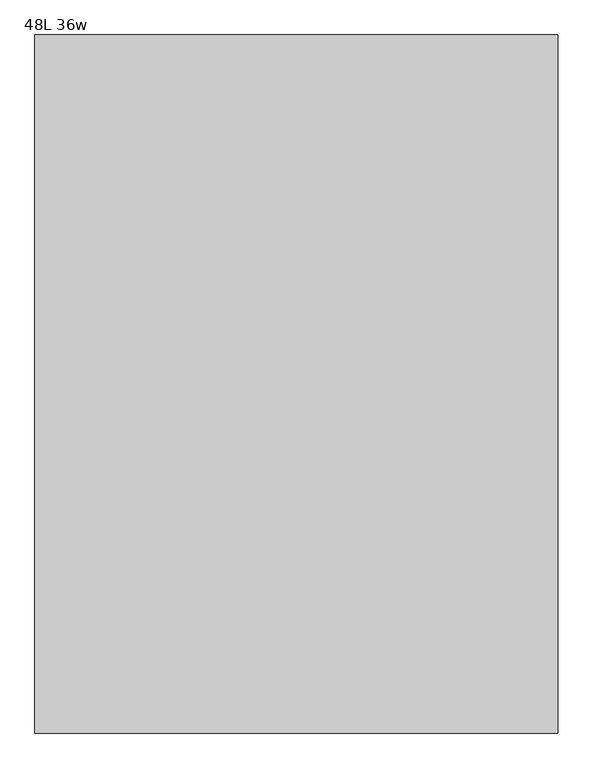
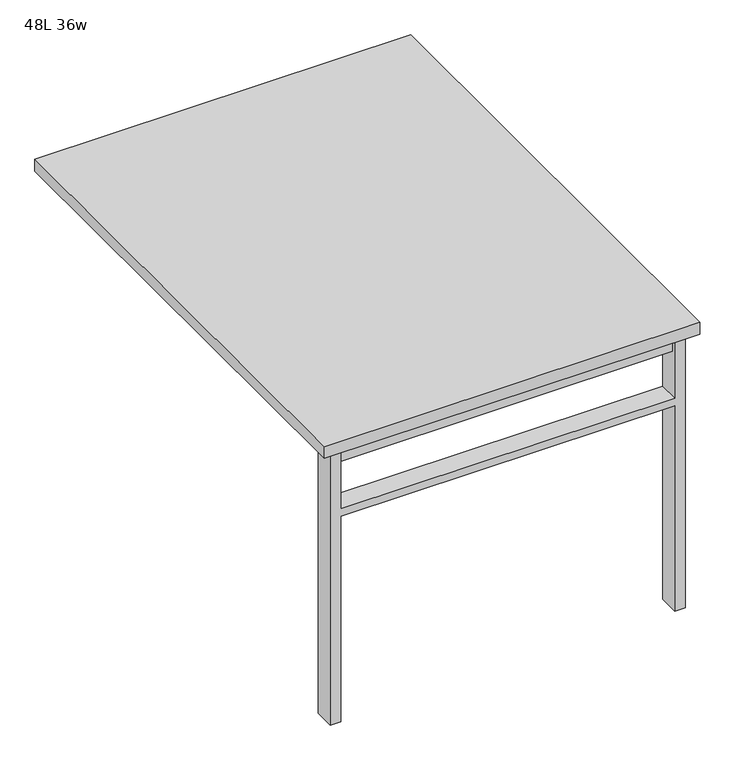
"""IFC4 building model written with IfcOpenShell, lengths in millimetres: furniture geometry, 48L 36w."""

from ifc_helpers import new_model, si_unit, frame, origin, place, context, project, spatial, polyline, outline, extrude, source, transform, mapped, element, save


def furniture_48l_36w_59702ec5(model_context):
    return source(origin(), model_context, "Body", "SweptSolid", [
        extrude(outline(polyline([(-406.4, -549.275), (406.4, -549.275), (406.4, -581.025), (-406.4, -581.025), (-406.4, -549.275)])), frame((0.0, 0.0, 661.9875), z_axis=(0.0, 0.0, 1.0), x_axis=(1.0, 0.0, 0.0)), (0.0, 0.0, 1.0), 44.45),
        extrude(outline(polyline([(528.6375, 406.4), (0.0, 406.4), (0.0, 431.8), (706.4375, 431.8), (706.4375, 406.4), (547.6875, 406.4), (547.6875, -406.4), (706.4375, -406.4), (706.4375, -431.8), (0.0, -431.8), (0.0, -406.4), (528.6375, -406.4), (528.6375, 406.4)])), frame((0.0, -590.55, 0.0), z_axis=(0.0, 1.0, 0.0), x_axis=(0.0, 0.0, 1.0)), (0.0, 0.0, 1.0), 50.8),
        extrude(outline(polyline([(-457.2, -609.6), (-457.2, 609.6), (457.2, 609.6), (457.2, -609.6), (-457.2, -609.6)])), frame((0.0, 0.0, 706.4375), z_axis=(0.0, 0.0, 1.0), x_axis=(1.0, 0.0, 0.0)), (0.0, 0.0, 1.0), 30.1625),
    ])


if __name__ == "__main__":
    model = new_model("IFC4")
    model_context = context("Model", 3, world=origin())
    ifc_project = project(units=[si_unit("LENGTHUNIT", "METRE", prefix="MILLI")], contexts=[model_context])
    site = spatial("IfcSite", under=ifc_project)
    building = spatial("IfcBuilding", under=site)
    placement = place(None, origin())
    furniture_48l_36w_shape = furniture_48l_36w_59702ec5(model_context)
    element("IfcFurniture", 1, ObjectType="48L 36w", at=placement, inside=building, context=model_context, shape_type="MappedRepresentation", body=[
        mapped(furniture_48l_36w_shape, transform((0.0, 0.0, 0.0), x_axis=(1.0, 0.0, 0.0), y_axis=(0.0, 1.0, 0.0), z_axis=(0.0, 0.0, 1.0))),
    ])
    save(model, "model.ifc")
